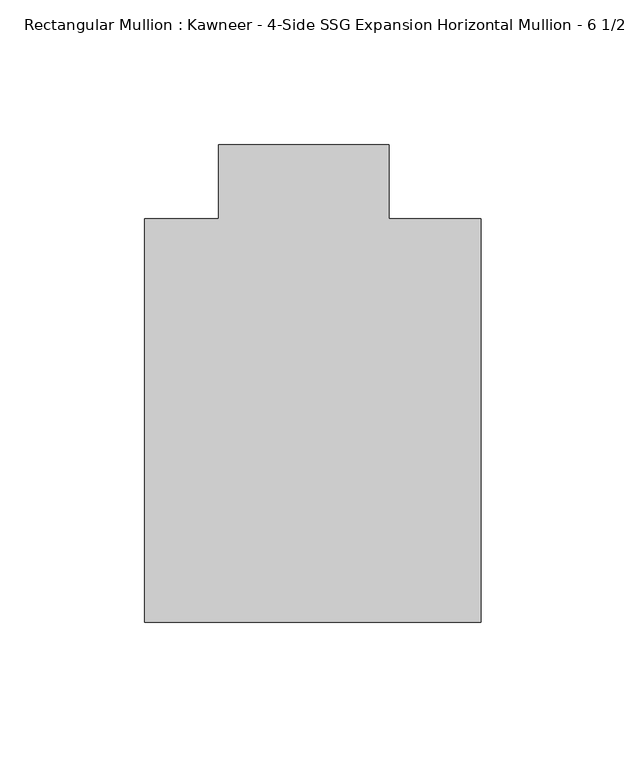
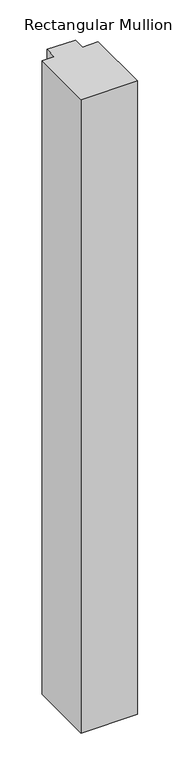
"""IFC4 building model written with IfcOpenShell, lengths in millimetres: member geometry."""

from ifc_helpers import new_model, si_unit, frame, origin, place, context, project, spatial, polyline, outline, extrude, source, transform, mapped, element, save


def member_bf3b8d94(model_context):
    return source(origin(), model_context, "Body", "SweptSolid", [
        extrude(outline(polyline([(-62.2957636, -151.892), (-62.2957636, -12.7), (-36.8958768, -12.7), (-36.8958768, 12.7), (21.8651592, 12.7), (21.8651592, -12.7), (53.615046, -12.7), (53.615046, -151.892), (-62.2957636, -151.892)])), frame((0.0, 0.0, -1376.6582482), z_axis=(0.0, 0.0, 1.0), x_axis=(1.0, 0.0, 0.0)), (0.0, 0.0, 1.0), 1376.6582482),
    ])


if __name__ == "__main__":
    model = new_model("IFC4")
    model_context = context("Model", 3, world=origin())
    ifc_project = project(units=[si_unit("LENGTHUNIT", "METRE", prefix="MILLI")], contexts=[model_context])
    site = spatial("IfcSite", under=ifc_project)
    building = spatial("IfcBuilding", under=site)
    placement = place(None, origin())
    member_shape = member_bf3b8d94(model_context)
    element("IfcMember", 1, ObjectType="Rectangular Mullion : Kawneer - 4-Side SSG Expansion Horizontal Mullion - 6 1/2\"", at=placement, inside=building, context=model_context, shape_type="MappedRepresentation", body=[
        mapped(member_shape, transform((0.0, 0.0, 0.0), x_axis=(1.0, 0.0, 0.0), y_axis=(0.0, 1.0, 0.0), z_axis=(0.0, 0.0, 1.0))),
    ])
    save(model, "model.ifc")
